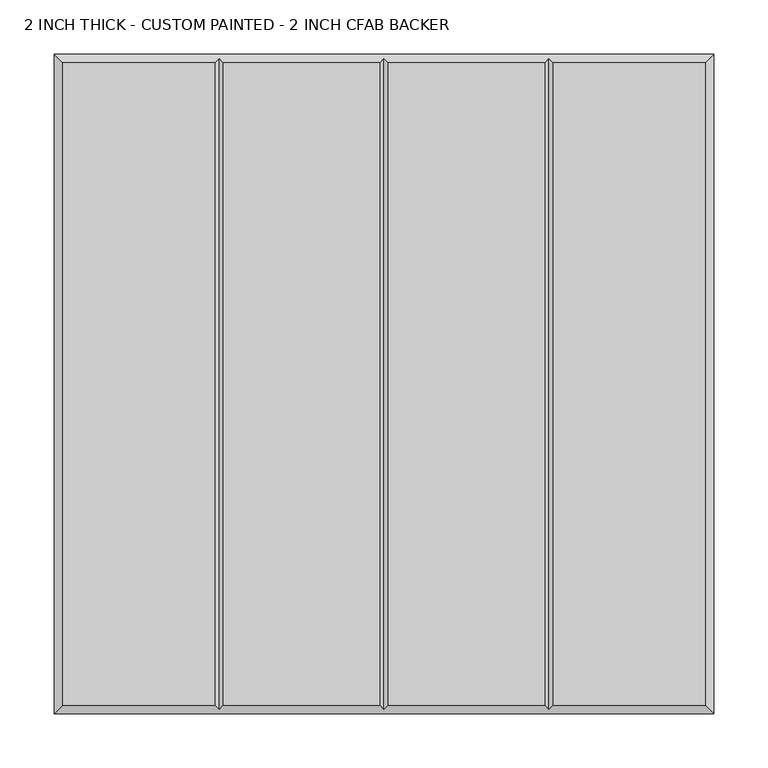
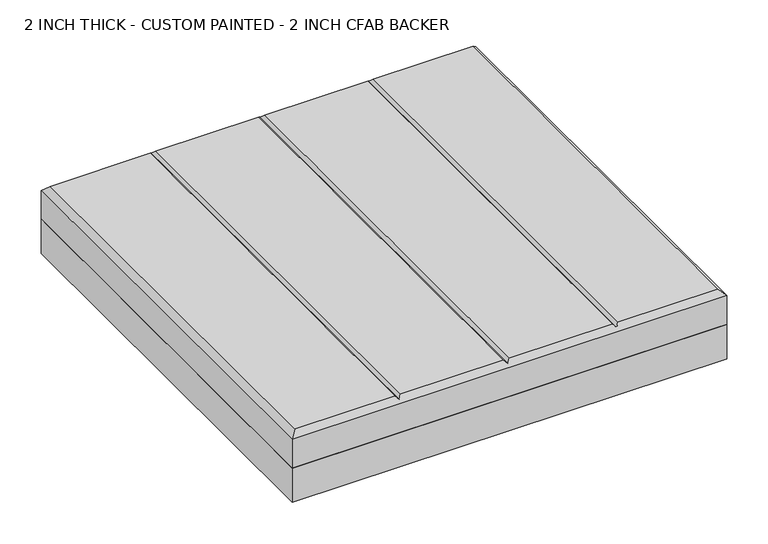
"""IFC4 building model written with IfcOpenShell, lengths in millimetres: proxy geometry, 2 INCH THICK - CUSTOM PAINTED - 2 INCH CFAB BACKER."""

from ifc_helpers import new_model, si_unit, frame, origin, place, context, project, spatial, polyline, outline, extrude, faceted_brep, source, transform, mapped, element, save


def proxy_2_inch_thick_custom_painted_2_inch_cfab_backer_44d635f9(model_context):
    return source(origin(), model_context, "Body", "SolidModel", [
        extrude(outline(polyline([(-304.8, 304.8), (304.8, 304.8), (304.8, -304.8), (-304.8, -304.8), (-304.8, 304.8)])), frame((0.0, 0.0, -50.8), z_axis=(0.0, 0.0, 1.0), x_axis=(1.0, 0.0, 0.0)), (0.0, 0.0, 1.0), 50.8),
        faceted_brep([(-296.799, 296.799, 50.8), (-296.799, -296.799, 50.8), (-156.4009826, -296.799, 50.8), (-156.4009826, 296.799, 50.8), (296.799, -296.799, 50.8), (296.799, 296.799, 50.8), (156.4010334, 296.799, 50.8), (156.4010334, -296.799, 50.8), (-148.3999826, 296.799, 50.8), (-148.3999826, -296.799, 50.8), (-4.0004746, -296.799, 50.8), (-4.0004746, 296.799, 50.8), (4.0005254, 296.799, 50.8), (4.0005254, -296.799, 50.8), (148.4000334, -296.799, 50.8), (148.4000334, 296.799, 50.8), (-304.8, 304.8, 0.0), (304.8, 304.8, 0.0), (304.8, -304.8, 0.0), (-304.8, -304.8, 0.0), (-304.8, -304.8, 42.799), (-304.8, 304.8, 42.799), (304.8, -304.8, 42.799), (304.8, 304.8, 42.799), (-152.4004826, 300.7995, 46.7995), (2.54e-05, 300.7995, 46.7995), (152.4005334, 300.7995, 46.7995), (152.4005334, -300.7995, 46.7995), (2.54e-05, -300.7995, 46.7995), (-152.4004826, -300.7995, 46.7995)], [[[0, 1, 2, 3]], [[4, 5, 6, 7]], [[8, 9, 10, 11]], [[12, 13, 14, 15]], [[16, 17, 18, 19]], [[16, 19, 20, 21]], [[19, 18, 22, 20]], [[18, 17, 23, 22]], [[17, 16, 21, 23]], [[21, 0, 3, 24, 8, 11, 25, 12, 15, 26, 6, 5, 23]], [[0, 21, 20, 1]], [[1, 20, 22, 4, 7, 27, 14, 13, 28, 10, 9, 29, 2]], [[23, 5, 4, 22]], [[24, 29, 9, 8]], [[29, 24, 3, 2]], [[25, 28, 13, 12]], [[28, 25, 11, 10]], [[26, 27, 7, 6]], [[27, 26, 15, 14]]]),
    ])


if __name__ == "__main__":
    model = new_model("IFC4")
    model_context = context("Model", 3, world=origin())
    ifc_project = project(units=[si_unit("LENGTHUNIT", "METRE", prefix="MILLI")], contexts=[model_context])
    site = spatial("IfcSite", under=ifc_project)
    building = spatial("IfcBuilding", under=site)
    placement = place(None, origin())
    proxy_2_inch_thick_custom_painted_2_inch_cfab_backer_shape = proxy_2_inch_thick_custom_painted_2_inch_cfab_backer_44d635f9(model_context)
    element("IfcBuildingElementProxy", 1, Name="2 INCH THICK - CUSTOM PAINTED - 2 INCH CFAB BACKER", ObjectType="2 INCH THICK - CUSTOM PAINTED - 2 INCH CFAB BACKER", at=placement, inside=building, context=model_context, shape_type="MappedRepresentation", body=[
        mapped(proxy_2_inch_thick_custom_painted_2_inch_cfab_backer_shape, transform((0.0, 0.0, 0.0), x_axis=(1.0, 0.0, 0.0), y_axis=(0.0, 1.0, 0.0), z_axis=(0.0, 0.0, 1.0))),
    ])
    save(model, "model.ifc")
